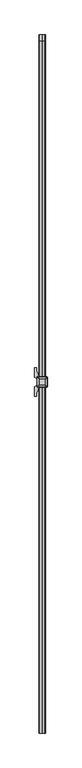
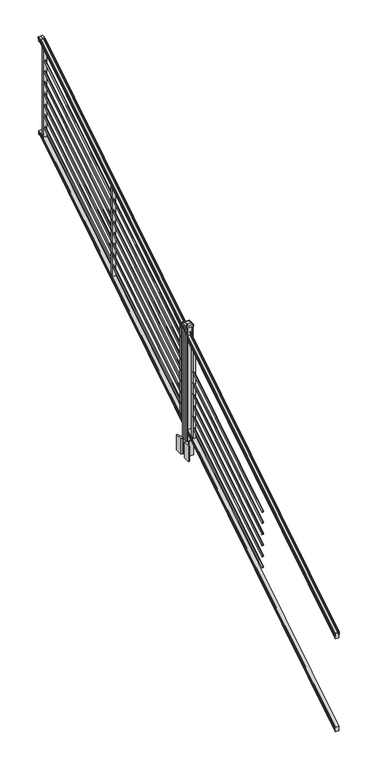
"""IFC4 building model written with IfcOpenShell, lengths in millimetres: railing geometry."""

from ifc_helpers import new_model, si_unit, point, frame, frame_2d, origin, origin_2d, place, context, project, spatial, polyline, circle_curve, ellipse_curve, trimmed, segment, composite_curve, outline, extrude, faceted_brep, source, transform, mapped, element, save
from ifc_brep_helpers import plane_surface, cylinder_surface, revolved_surface, extruded_surface, advanced_brep


def railing_c6cc891d(model_context):
    return source(origin(), model_context, "Body", "SolidModel", [
        advanced_brep(
        [(11092.2704765, -142728.8628453, 1270.3670492), (11092.2704765, -142728.8628453, 1272.5935658), (11093.4006628, -142728.8628453, 1274.4358543), (11093.4006628, -142728.8628453, 1282.9476358), (11092.7514064, -142728.8628453, 1285.8172588), (11095.2514064, -142728.8628453, 1290.9235509), (11096.6607489, -142728.8628453, 1292.9042021), (11097.0626479, -142728.8628453, 1294.2069579), (11097.0626478, -142728.8628453, 1295.7874846), (11095.5092005, -142728.8628453, 1297.6193836), (11074.8376478, -142728.8628453, 1297.6193836), (11054.166095, -142728.8628453, 1297.6193836), (11052.6126478, -142728.8628453, 1295.7874846), (11052.6126478, -142728.8628453, 1294.2069579), (11053.0145467, -142728.8628453, 1292.9042021), (11054.4238891, -142728.8628453, 1290.9235509), (11056.9238891, -142728.8628453, 1285.8172588), (11056.2746327, -142728.8628453, 1282.9476358), (11056.2746327, -142728.8628453, 1274.4358543), (11057.404819, -142728.8628453, 1272.5935658), (11057.404819, -142728.8628453, 1270.3670492), (11059.9786478, -142728.8628453, 1270.3670492), (11059.9786478, -142728.8628453, 1257.985537), (11058.9626478, -142728.8628453, 1256.7874214), (11058.9626478, -142728.8628453, 1242.06), (11090.7126478, -142728.8628453, 1242.06), (11090.7126478, -142728.8628453, 1256.601318), (11089.6966478, -142728.8628453, 1257.7994336), (11089.6966478, -142728.8628453, 1270.3670492), (11092.2704765, -137852.0628453, 4295.0143297), (11089.6966478, -137852.0628453, 4295.0143297), (11089.6966478, -137852.0628453, 4284.357013), (11090.7126478, -137852.0628453, 4283.341013), (11090.7126478, -137852.0628453, 4271.01), (11058.9626478, -137852.0628453, 4271.01), (11058.9626478, -137852.0628453, 4283.4988283), (11059.9786478, -137852.0628453, 4284.5148283), (11059.9786478, -137852.0628453, 4295.0143297), (11057.404819, -137852.0628453, 4295.0143297), (11057.404819, -137852.0628453, 4296.902412), (11056.2746327, -137852.0628453, 4298.4646695), (11056.2746327, -137852.0628453, 4305.6826458), (11056.9238891, -137852.0628453, 4308.1160812), (11054.4238891, -137852.0628453, 4312.4462082), (11053.0145467, -137852.0628453, 4314.1257972), (11052.6126477, -137852.0628453, 4315.2305318), (11052.6126478, -137852.0628453, 4316.5708158), (11054.166095, -137852.0628453, 4318.124263), (11074.8376478, -137852.0628453, 4318.124263), (11095.5092005, -137852.0628453, 4318.124263), (11097.0626478, -137852.0628453, 4316.5708158), (11097.0626478, -137852.0628453, 4315.2305318), (11096.6607489, -137852.0628453, 4314.1257972), (11095.2514064, -137852.0628453, 4312.4462082), (11092.7514064, -137852.0628453, 4308.1160812), (11093.4006628, -137852.0628453, 4305.6826458), (11093.4006628, -137852.0628453, 4298.4646695), (11092.2704765, -137852.0628453, 4296.902412), (11089.6966478, -137889.4271965, 4295.0143297), (11092.2704765, -137889.4271965, 4295.0143297), (11089.6966478, -137886.3707182, 4284.357013), (11090.7126478, -137886.0793333, 4283.341013), (11090.7126478, -137882.5428453, 4271.01), (11058.9626478, -137882.5428453, 4271.01), (11058.9626478, -137886.1245941, 4283.4988283), (11059.9786478, -137886.4159791, 4284.5148283), (11059.9786478, -137889.4271965, 4295.0143297), (11057.404819, -137889.4271965, 4295.0143297), (11057.404819, -137889.9686913, 4296.902412), (11056.2746327, -137890.4167409, 4298.4646695), (11056.2746327, -137892.4868293, 4305.6826458), (11056.9238891, -137893.1847294, 4308.1160812), (11054.4238891, -137894.4265935, 4312.4462082), (11053.0145467, -137894.9082932, 4314.1257972), (11052.6126477, -137895.2251269, 4315.2305318), (11052.6126478, -137895.6095153, 4316.5708158), (11054.166095, -137896.0550381, 4318.124263), (11074.8376478, -137896.0550381, 4318.124263), (11095.5092005, -137896.0550381, 4318.124263), (11097.0626478, -137895.6095153, 4316.5708158), (11097.0626478, -137895.2251269, 4315.2305318), (11096.6607489, -137894.9082932, 4314.1257972), (11095.2514064, -137894.4265935, 4312.4462082), (11092.7514064, -137893.1847294, 4308.1160812), (11093.4006628, -137892.4868293, 4305.6826458), (11093.4006628, -137890.4167409, 4298.4646695), (11092.2704765, -137889.9686913, 4296.902412)],
        [
            (0, 1),
            (1, 2, ellipse_curve(frame((11085.9557232, -142728.8628453, 1279.3839405), z_axis=(0.0, -1.0, 0.0), x_axis=(0.0, 0.0, -1.0)), 10.0777926, 8.545951)),
            (2, 3, ellipse_curve(frame((11086.3927862, -142728.8628453, 1278.6917451), z_axis=(0.0, -1.0, 0.0), x_axis=(0.0, 0.0, -1.0)), 9.2955186, 7.882584)),
            (3, 4, ellipse_curve(frame((11096.9061103, -142728.8628453, 1285.5875077), z_axis=(0.0, 1.0, 0.0), x_axis=(0.0, 0.0, 1.0)), 4.9048088, 4.1592695)),
            (4, 5, ellipse_curve(frame((11098.1934169, -142728.8628453, 1285.5163208), z_axis=(0.0, 1.0, 0.0), x_axis=(0.0, 0.0, 1.0)), 6.4245301, 5.4479907)),
            (5, 6, ellipse_curve(frame((11096.9602584, -142728.8628453, 1290.9202333), z_axis=(0.0, 1.0, 0.0), x_axis=(0.0, 0.0, 1.0)), 2.0151625, 1.7088543)),
            (6, 7, ellipse_curve(frame((11095.3433583, -142728.8628453, 1294.2069579), z_axis=(0.0, -1.0, 0.0), x_axis=(0.0, 0.0, -1.0)), 2.0274681, 1.7192895)),
            (7, 8),
            (8, 9, ellipse_curve(frame((11095.5092005, -142728.8628453, 1295.7874846), z_axis=(0.0, -1.0, 0.0), x_axis=(0.0, 0.0, -1.0)), 1.831899, 1.5534472)),
            (9, 10),
            (10, 11),
            (11, 12, ellipse_curve(frame((11054.166095, -142728.8628453, 1295.7874846), z_axis=(0.0, -1.0, 0.0), x_axis=(0.0, 0.0, -1.0)), 1.831899, 1.5534472)),
            (12, 13),
            (13, 14, ellipse_curve(frame((11054.3319372, -142728.8628453, 1294.2069579), z_axis=(0.0, -1.0, 0.0), x_axis=(0.0, 0.0, -1.0)), 2.0274681, 1.7192895)),
            (14, 15, ellipse_curve(frame((11052.7150371, -142728.8628453, 1290.9202333), z_axis=(0.0, 1.0, 0.0), x_axis=(0.0, 0.0, 1.0)), 2.0151625, 1.7088543)),
            (15, 16, ellipse_curve(frame((11051.4818787, -142728.8628453, 1285.5163208), z_axis=(0.0, 1.0, 0.0), x_axis=(0.0, 0.0, 1.0)), 6.4245301, 5.4479907)),
            (16, 17, ellipse_curve(frame((11052.7691852, -142728.8628453, 1285.5875077), z_axis=(0.0, 1.0, 0.0), x_axis=(0.0, 0.0, 1.0)), 4.9048088, 4.1592695)),
            (17, 18, ellipse_curve(frame((11063.2825093, -142728.8628453, 1278.6917451), z_axis=(0.0, -1.0, 0.0), x_axis=(0.0, 0.0, -1.0)), 9.2955186, 7.882584)),
            (18, 19, ellipse_curve(frame((11063.7195723, -142728.8628453, 1279.3839405), z_axis=(0.0, -1.0, 0.0), x_axis=(0.0, 0.0, -1.0)), 10.0777926, 8.545951)),
            (19, 20),
            (20, 21, ellipse_curve(frame((11058.6917334, -142728.8628453, 1270.3670492), z_axis=(0.0, -1.0, 0.0), x_axis=(0.0, 0.0, -1.0)), 1.5175907, 1.2869144)),
            (21, 22),
            (22, 23),
            (23, 24),
            (24, 25),
            (25, 26),
            (26, 27),
            (27, 28),
            (28, 0, ellipse_curve(frame((11090.9835621, -142728.8628453, 1270.3670492), z_axis=(0.0, -1.0, 0.0), x_axis=(0.0, 0.0, -1.0)), 1.5175907, 1.2869144)),
            (29, 30, circle_curve(frame((11090.9835621, -137852.0628453, 4295.0143297), z_axis=(0.0, 1.0, 0.0), x_axis=(-1.0, 0.0, 0.0)), 1.2869144)),
            (30, 31),
            (31, 32),
            (32, 33),
            (33, 34),
            (34, 35),
            (35, 36),
            (36, 37),
            (37, 38, circle_curve(frame((11058.6917334, -137852.0628453, 4295.0143297), z_axis=(0.0, 1.0, 0.0), x_axis=(1.0, 0.0, 0.0)), 1.2869144)),
            (38, 39),
            (39, 40, circle_curve(frame((11063.7195723, -137852.0628453, 4302.6606383), z_axis=(0.0, 1.0, 0.0), x_axis=(1.0, 0.0, 0.0)), 8.545951)),
            (40, 41, circle_curve(frame((11063.2825093, -137852.0628453, 4302.0736577), z_axis=(0.0, 1.0, 0.0), x_axis=(1.0, 0.0, 0.0)), 7.882584)),
            (41, 42, circle_curve(frame((11052.7691852, -137852.0628453, 4307.9212527), z_axis=(0.0, -1.0, 0.0), x_axis=(1.0, 0.0, 0.0)), 4.1592695)),
            (42, 43, circle_curve(frame((11051.4818787, -137852.0628453, 4307.8608864), z_axis=(0.0, -1.0, 0.0), x_axis=(1.0, 0.0, 0.0)), 5.4479907)),
            (43, 44, circle_curve(frame((11052.7150371, -137852.0628453, 4312.443395), z_axis=(0.0, -1.0, 0.0), x_axis=(1.0, 0.0, 0.0)), 1.7088543)),
            (44, 45, circle_curve(frame((11054.3319372, -137852.0628453, 4315.2305318), z_axis=(0.0, 1.0, 0.0), x_axis=(1.0, 0.0, 0.0)), 1.7192895)),
            (45, 46),
            (46, 47, circle_curve(frame((11054.166095, -137852.0628453, 4316.5708158), z_axis=(0.0, 1.0, 0.0), x_axis=(1.0, 0.0, 0.0)), 1.5534472)),
            (47, 48),
            (48, 49),
            (49, 50, circle_curve(frame((11095.5092005, -137852.0628453, 4316.5708158), z_axis=(0.0, 1.0, 0.0), x_axis=(-1.0, 0.0, 0.0)), 1.5534472)),
            (50, 51),
            (51, 52, circle_curve(frame((11095.3433583, -137852.0628453, 4315.2305318), z_axis=(0.0, 1.0, 0.0), x_axis=(-1.0, 0.0, 0.0)), 1.7192895)),
            (52, 53, circle_curve(frame((11096.9602584, -137852.0628453, 4312.443395), z_axis=(0.0, -1.0, 0.0), x_axis=(-1.0, 0.0, 0.0)), 1.7088543)),
            (53, 54, circle_curve(frame((11098.1934169, -137852.0628453, 4307.8608864), z_axis=(0.0, -1.0, 0.0), x_axis=(-1.0, 0.0, 0.0)), 5.4479907)),
            (54, 55, circle_curve(frame((11096.9061103, -137852.0628453, 4307.9212527), z_axis=(0.0, -1.0, 0.0), x_axis=(-1.0, 0.0, 0.0)), 4.1592695)),
            (55, 56, circle_curve(frame((11086.3927862, -137852.0628453, 4302.0736577), z_axis=(0.0, 1.0, 0.0), x_axis=(-1.0, 0.0, 0.0)), 7.882584)),
            (56, 57, circle_curve(frame((11085.9557232, -137852.0628453, 4302.6606383), z_axis=(0.0, 1.0, 0.0), x_axis=(-1.0, 0.0, 0.0)), 8.545951)),
            (57, 29),
            (28, 58),
            (58, 59, ellipse_curve(frame((11090.9835621, -137889.4271965, 4295.0143297), z_axis=(0.0, -0.9612487461643644, -0.2756825130425166), x_axis=(0.0, 0.27568251304251695, -0.9612487461643643)), 1.3387943, 1.2869144)),
            (59, 0),
            (27, 60),
            (60, 58),
            (26, 61),
            (61, 60),
            (25, 62),
            (62, 61),
            (24, 63),
            (63, 62),
            (23, 64),
            (64, 63),
            (22, 65),
            (65, 64),
            (21, 66),
            (66, 65),
            (20, 67),
            (67, 66, ellipse_curve(frame((11058.6917334, -137889.4271965, 4295.0143297), z_axis=(0.0, -0.9612487461643644, -0.2756825130425166), x_axis=(0.0, 0.27568251304251695, -0.9612487461643643)), 1.3387943, 1.2869144)),
            (19, 68),
            (68, 67),
            (18, 69),
            (69, 68, ellipse_curve(frame((11063.7195723, -137891.6201289, 4302.6606383), z_axis=(0.0, -0.9612487461643644, -0.2756825130425166), x_axis=(0.0, 0.27568251304251695, -0.9612487461643643)), 8.8904678, 8.545951)),
            (17, 70),
            (70, 69, ellipse_curve(frame((11063.2825093, -137891.4517851, 4302.0736577), z_axis=(0.0, -0.9612487461643644, -0.2756825130425166), x_axis=(0.0, 0.27568251304251695, -0.9612487461643643)), 8.2003581, 7.882584)),
            (16, 71),
            (71, 70, ellipse_curve(frame((11052.7691852, -137893.1288533, 4307.9212527), z_axis=(0.0, 0.9612487461643644, 0.2756825130425166), x_axis=(0.0, -0.27568251304251695, 0.9612487461643643)), 4.326944, 4.1592695)),
            (15, 72),
            (72, 71, ellipse_curve(frame((11051.4818787, -137893.1115404, 4307.8608864), z_axis=(0.0, 0.9612487461643644, 0.2756825130425166), x_axis=(0.0, -0.27568251304251695, 0.9612487461643643)), 5.667618, 5.4479907)),
            (14, 73),
            (73, 72, ellipse_curve(frame((11052.7150371, -137894.4257866, 4312.443395), z_axis=(0.0, 0.9612487461643644, 0.2756825130425166), x_axis=(0.0, -0.27568251304251695, 0.9612487461643643)), 1.7777442, 1.7088543)),
            (13, 74),
            (74, 73, ellipse_curve(frame((11054.3319372, -137895.2251269, 4315.2305318), z_axis=(0.0, -0.9612487461643644, -0.2756825130425166), x_axis=(0.0, 0.27568251304251695, -0.9612487461643643)), 1.7886, 1.7192895)),
            (12, 75),
            (75, 74),
            (11, 76),
            (76, 75, ellipse_curve(frame((11054.166095, -137895.6095153, 4316.5708158), z_axis=(0.0, -0.9612487461643644, -0.2756825130425166), x_axis=(0.0, 0.27568251304251695, -0.9612487461643643)), 1.6160721, 1.5534472)),
            (10, 77),
            (77, 76),
            (9, 78),
            (78, 77),
            (8, 79),
            (79, 78, ellipse_curve(frame((11095.5092005, -137895.6095153, 4316.5708158), z_axis=(0.0, -0.9612487461643644, -0.2756825130425166), x_axis=(0.0, 0.27568251304251695, -0.9612487461643643)), 1.6160721, 1.5534472)),
            (7, 80),
            (80, 79),
            (6, 81),
            (81, 80, ellipse_curve(frame((11095.3433583, -137895.2251269, 4315.2305318), z_axis=(0.0, -0.9612487461643644, -0.2756825130425166), x_axis=(0.0, 0.27568251304251695, -0.9612487461643643)), 1.7886, 1.7192895)),
            (5, 82),
            (82, 81, ellipse_curve(frame((11096.9602584, -137894.4257866, 4312.443395), z_axis=(0.0, 0.9612487461643644, 0.2756825130425166), x_axis=(0.0, -0.27568251304251695, 0.9612487461643643)), 1.7777442, 1.7088543)),
            (4, 83),
            (83, 82, ellipse_curve(frame((11098.1934169, -137893.1115404, 4307.8608864), z_axis=(0.0, 0.9612487461643644, 0.2756825130425166), x_axis=(0.0, -0.27568251304251695, 0.9612487461643643)), 5.667618, 5.4479907)),
            (3, 84),
            (84, 83, ellipse_curve(frame((11096.9061103, -137893.1288533, 4307.9212527), z_axis=(0.0, 0.9612487461643644, 0.2756825130425166), x_axis=(0.0, -0.27568251304251695, 0.9612487461643643)), 4.326944, 4.1592695)),
            (2, 85),
            (85, 84, ellipse_curve(frame((11086.3927862, -137891.4517851, 4302.0736577), z_axis=(0.0, -0.9612487461643644, -0.2756825130425166), x_axis=(0.0, 0.27568251304251695, -0.9612487461643643)), 8.2003581, 7.882584)),
            (1, 86),
            (86, 85, ellipse_curve(frame((11085.9557232, -137891.6201289, 4302.6606383), z_axis=(0.0, -0.9612487461643644, -0.2756825130425166), x_axis=(0.0, 0.27568251304251695, -0.9612487461643643)), 8.8904678, 8.545951)),
            (59, 86),
            (58, 30),
            (29, 59),
            (60, 31),
            (61, 32),
            (62, 33),
            (63, 34),
            (64, 35),
            (65, 36),
            (66, 37),
            (67, 38),
            (68, 39),
            (69, 40),
            (70, 41),
            (71, 42),
            (72, 43),
            (73, 44),
            (74, 45),
            (75, 46),
            (76, 47),
            (77, 48),
            (78, 49),
            (79, 50),
            (80, 51),
            (81, 52),
            (82, 53),
            (83, 54),
            (84, 55),
            (85, 56),
            (86, 57),
        ],
        [
            plane_surface(frame((11074.8376478, -142728.8628453, 1242.06), z_axis=(0.0, -1.0, 0.0), x_axis=(0.0, 0.0, 1.0))),
            plane_surface(frame((11074.8376478, -137852.0628453, 4271.01), z_axis=(0.0, 1.0, 0.0), x_axis=(0.0, 0.0, 1.0))),
            cylinder_surface(frame((11090.9835621, -142741.5851146, 1262.4156309), z_axis=(0.0, -0.8479983040051253, -0.5299989400031203), x_axis=(-1.0, 0.0, 0.0)), 1.2869144),
            plane_surface(frame((11089.6966478, -142728.8628453, 1257.7994336), z_axis=(1.0, 0.0, 0.0), x_axis=(0.0, 0.8479983040051258, 0.5299989400031196))),
            plane_surface(frame((11090.7126478, -142728.8628453, 1256.601318), z_axis=(0.7071067811865388, -0.3747658444978935, 0.5996253511967228), x_axis=(0.0, 0.8479983040051258, 0.5299989400031195))),
            plane_surface(frame((11090.7126478, -142728.8628453, 1242.06), z_axis=(1.0, 0.0, 0.0), x_axis=(0.0, 0.8479983040051252, 0.5299989400031205))),
            plane_surface(frame((11058.9626478, -142728.8628453, 1242.06), z_axis=(0.0, 0.5299989400031205, -0.8479983040051252), x_axis=(0.0, 0.8479983040051252, 0.5299989400031205))),
            plane_surface(frame((11058.9626478, -142728.8628453, 1256.7874214), z_axis=(-1.0, 0.0, 0.0), x_axis=(0.0, 0.8479983040051259, 0.5299989400031193))),
            plane_surface(frame((11059.9786478, -142728.8628453, 1257.985537), z_axis=(-0.7071067811865439, -0.37476584449788913, 0.5996253511967198), x_axis=(0.0, 0.8479983040051259, 0.5299989400031195))),
            plane_surface(frame((11059.9786478, -142728.8628453, 1270.3670492), z_axis=(-1.0000000000000002, 0.0, 0.0), x_axis=(0.0, 0.8479983040051253, 0.5299989400031204))),
            cylinder_surface(frame((11058.6917334, -142741.5851146, 1262.4156309), z_axis=(0.0, -0.8479983040051253, -0.5299989400031203), x_axis=(1.0, 0.0, 0.0)), 1.2869144),
            plane_surface(frame((11057.404819, -142728.8628453, 1272.5935658), z_axis=(-1.0000000000000002, 0.0, 0.0), x_axis=(0.0, 0.8479983040051249, 0.5299989400031212))),
            cylinder_surface(frame((11063.7195723, -142745.63765, 1268.8996876), z_axis=(0.0, -0.8479983040051253, -0.5299989400031203), x_axis=(1.0, 0.0, 0.0)), 8.545951),
            cylinder_surface(frame((11063.2825093, -142745.3265509, 1268.401929), z_axis=(0.0, -0.8479983040051253, -0.5299989400031203), x_axis=(1.0, 0.0, 0.0)), 7.882584),
            revolved_surface(polyline([(11056.9284547, -137892.1173076721, 4308.553468716955), (11056.9284547, -142731.06725374944, 1284.209752419102)]), (11052.7691852, -142748.4257701, 1273.3606797), (0.0, 0.8479983040051253, 0.5299989400031203)),
            revolved_surface(polyline([(11056.9298694, -137891.78657425637, 4308.688990189307), (11056.9298694, -142731.75027455282, 1283.7116775044994)]), (11051.4818787, -142748.393776, 1273.3094891), (0.0, 0.8479983040051253, 0.5299989400031203)),
            revolved_surface(polyline([(11054.423891400002, -137894.01018858227, 4312.7031437730975), (11054.423891400002, -142729.76853632246, 1290.354176435948)]), (11052.7150371, -142750.8225007, 1277.1954487), (0.0, 0.8479983040051253, 0.5299989400031203)),
            cylinder_surface(frame((11054.3319372, -142752.2996803, 1279.558936), z_axis=(0.0, -0.8479983040051253, -0.5299989400031203), x_axis=(1.0, 0.0, 0.0)), 1.7192895),
            plane_surface(frame((11052.6126478, -142728.8628453, 1295.7874846), z_axis=(-1.0, 0.0, 0.0), x_axis=(0.0, 0.8479983040051258, 0.5299989400031196))),
            cylinder_surface(frame((11054.166095, -142753.0100294, 1280.6954945), z_axis=(0.0, -0.8479983040051253, -0.5299989400031203), x_axis=(1.0, 0.0, 0.0)), 1.5534472),
            plane_surface(frame((11074.8376478, -142728.8628453, 1297.6193836), z_axis=(0.0, -0.5299989400031199, 0.8479983040051255), x_axis=(0.0, 0.8479983040051255, 0.5299989400031199))),
            plane_surface(frame((11095.5092005, -142728.8628453, 1297.6193836), z_axis=(0.0, -0.5299989400031199, 0.8479983040051255), x_axis=(0.0, 0.8479983040051255, 0.5299989400031199))),
            cylinder_surface(frame((11095.5092005, -142753.0100294, 1280.6954945), z_axis=(0.0, -0.8479983040051253, -0.5299989400031203), x_axis=(-1.0, 0.0, 0.0)), 1.5534472),
            plane_surface(frame((11097.0626478, -142728.8628453, 1294.2069579), z_axis=(1.0000000000000002, 0.0, 0.0), x_axis=(0.0, 0.8479983040051255, 0.5299989400031201))),
            cylinder_surface(frame((11095.3433583, -142752.2996803, 1279.558936), z_axis=(0.0, -0.8479983040051253, -0.5299989400031203), x_axis=(-1.0, 0.0, 0.0)), 1.7192895),
            revolved_surface(polyline([(11095.2514041, -137894.01018858227, 4312.7031437730975), (11095.2514041, -142729.76853632246, 1290.354176435948)]), (11096.9602584, -142750.8225007, 1277.1954487), (0.0, 0.8479983040051253, 0.5299989400031203)),
            revolved_surface(polyline([(11092.7454262, -137891.78657425637, 4308.688990189307), (11092.7454262, -142731.75027455282, 1283.7116775044994)]), (11098.1934169, -142748.393776, 1273.3094891), (0.0, 0.8479983040051253, 0.5299989400031203)),
            revolved_surface(polyline([(11092.7468408, -137892.1173076721, 4308.553468716955), (11092.7468408, -142731.06725374944, 1284.209752419102)]), (11096.9061103, -142748.4257701, 1273.3606797), (0.0, 0.8479983040051253, 0.5299989400031203)),
            cylinder_surface(frame((11086.3927862, -142745.3265509, 1268.401929), z_axis=(0.0, -0.8479983040051253, -0.5299989400031203), x_axis=(-1.0, 0.0, 0.0)), 7.882584),
            cylinder_surface(frame((11085.9557232, -142745.63765, 1268.8996876), z_axis=(0.0, -0.8479983040051253, -0.5299989400031203), x_axis=(-1.0, 0.0, 0.0)), 8.545951),
            plane_surface(frame((11092.2704765, -142728.8628453, 1270.3670492), z_axis=(1.0000000000000002, 0.0, 0.0), x_axis=(0.0, 0.8479983040051253, 0.5299989400031204))),
            cylinder_surface(frame((11090.9835621, -137882.5428453, 4295.0143297), z_axis=(0.0, -1.0, 0.0), x_axis=(-1.0, 0.0, 0.0)), 1.2869144),
            plane_surface(frame((11089.6966478, -137886.3707182, 4284.357013), z_axis=(1.0, 0.0, 0.0), x_axis=(0.0, 1.0, 0.0))),
            plane_surface(frame((11090.7126478, -137886.0793333, 4283.341013), z_axis=(0.707106781186539, 0.0, 0.7071067811865561), x_axis=(0.0, 1.0, 0.0))),
            plane_surface(frame((11090.7126478, -137882.5428453, 4271.01), z_axis=(1.0, 0.0, 0.0), x_axis=(0.0, 1.0, 0.0))),
            plane_surface(frame((11058.9626478, -137882.5428453, 4271.01), z_axis=(0.0, 0.0, -1.0), x_axis=(0.0, 1.0, 0.0))),
            plane_surface(frame((11058.9626478, -137886.1245941, 4283.4988283), z_axis=(-1.0, 0.0, 0.0), x_axis=(0.0, 1.0, 0.0))),
            plane_surface(frame((11059.9786478, -137886.4159791, 4284.5148283), z_axis=(-0.7071067811865435, 0.0, 0.7071067811865518), x_axis=(0.0, 1.0, 0.0))),
            plane_surface(frame((11059.9786478, -137889.4271965, 4295.0143297), z_axis=(-1.0, 0.0, 0.0), x_axis=(0.0, 1.0, 0.0))),
            cylinder_surface(frame((11058.6917334, -137882.5428453, 4295.0143297), z_axis=(0.0, -1.0, 0.0), x_axis=(1.0, 0.0, 0.0)), 1.2869144),
            plane_surface(frame((11057.404819, -137889.9686913, 4296.902412), z_axis=(-1.0, 0.0, 0.0), x_axis=(0.0, 1.0, 0.0))),
            cylinder_surface(frame((11063.7195723, -137882.5428453, 4302.6606383), z_axis=(0.0, -1.0, 0.0), x_axis=(1.0, 0.0, 0.0)), 8.545951),
            cylinder_surface(frame((11063.2825093, -137882.5428453, 4302.0736577), z_axis=(0.0, -1.0, 0.0), x_axis=(1.0, 0.0, 0.0)), 7.882584),
            revolved_surface(polyline([(11056.9284547, -137852.0628453, 4307.9212527), (11056.9284547, -137894.32171609573, 4307.9212527)]), (11052.7691852, -137882.5428453, 4307.9212527), (0.0, 1.0, 0.0)),
            revolved_surface(polyline([(11056.9298694, -137852.0628453, 4307.8608864), (11056.9298694, -137894.6740035732, 4307.8608864)]), (11051.4818787, -137882.5428453, 4307.8608864), (0.0, 1.0, 0.0)),
            revolved_surface(polyline([(11054.423891400002, -137852.0628453, 4312.443395), (11054.423891400002, -137894.9158795886, 4312.443395)]), (11052.7150371, -137882.5428453, 4312.443395), (0.0, 1.0, 0.0)),
            cylinder_surface(frame((11054.3319372, -137882.5428453, 4315.2305318), z_axis=(0.0, -1.0, 0.0), x_axis=(1.0, 0.0, 0.0)), 1.7192895),
            plane_surface(frame((11052.6126478, -137895.6095153, 4316.5708158), z_axis=(-1.0, 0.0, 0.0), x_axis=(0.0, 1.0, 0.0))),
            cylinder_surface(frame((11054.166095, -137882.5428453, 4316.5708158), z_axis=(0.0, -1.0, 0.0), x_axis=(1.0, 0.0, 0.0)), 1.5534472),
            plane_surface(frame((11074.8376478, -137896.0550381, 4318.124263), z_axis=(0.0, 0.0, 1.0), x_axis=(0.0, 1.0, 0.0))),
            plane_surface(frame((11095.5092005, -137896.0550381, 4318.124263), z_axis=(0.0, 0.0, 1.0), x_axis=(0.0, 1.0, 0.0))),
            cylinder_surface(frame((11095.5092005, -137882.5428453, 4316.5708158), z_axis=(0.0, -1.0, 0.0), x_axis=(-1.0, 0.0, 0.0)), 1.5534472),
            plane_surface(frame((11097.0626478, -137895.2251269, 4315.2305318), z_axis=(1.0, 0.0, 0.0), x_axis=(0.0, 1.0, 0.0))),
            cylinder_surface(frame((11095.3433583, -137882.5428453, 4315.2305318), z_axis=(0.0, -1.0, 0.0), x_axis=(-1.0, 0.0, 0.0)), 1.7192895),
            revolved_surface(polyline([(11095.2514041, -137852.0628453, 4312.443395), (11095.2514041, -137894.9158795886, 4312.443395)]), (11096.9602584, -137882.5428453, 4312.443395), (0.0, 1.0, 0.0)),
            revolved_surface(polyline([(11092.7454262, -137852.0628453, 4307.8608864), (11092.7454262, -137894.6740035732, 4307.8608864)]), (11098.1934169, -137882.5428453, 4307.8608864), (0.0, 1.0, 0.0)),
            revolved_surface(polyline([(11092.7468408, -137852.0628453, 4307.9212527), (11092.7468408, -137894.32171609573, 4307.9212527)]), (11096.9061103, -137882.5428453, 4307.9212527), (0.0, 1.0, 0.0)),
            cylinder_surface(frame((11086.3927862, -137882.5428453, 4302.0736577), z_axis=(0.0, -1.0, 0.0), x_axis=(-1.0, 0.0, 0.0)), 7.882584),
            cylinder_surface(frame((11085.9557232, -137882.5428453, 4302.6606383), z_axis=(0.0, -1.0, 0.0), x_axis=(-1.0, 0.0, 0.0)), 8.545951),
            plane_surface(frame((11092.2704765, -137889.4271965, 4295.0143297), z_axis=(1.0, 0.0, 0.0), x_axis=(0.0, 1.0, 0.0))),
        ],
        [
            (0, [[1, 2, 3, 4, 5, 6, 7, 8, 9, 10, 11, 12, 13, 14, 15, 16, 17, 18, 19, 20, 21, 22, 23, 24, 25, 26, 27, 28, 29]]),
            (1, [[30, 31, 32, 33, 34, 35, 36, 37, 38, 39, 40, 41, 42, 43, 44, 45, 46, 47, 48, 49, 50, 51, 52, 53, 54, 55, 56, 57, 58]]),
            (2, [[-29, 59, 60, 61]]),
            (3, [[-28, 62, 63, -59]]),
            (4, [[-27, 64, 65, -62]]),
            (5, [[-26, 66, 67, -64]]),
            (6, [[-25, 68, 69, -66]]),
            (7, [[-24, 70, 71, -68]]),
            (8, [[-23, 72, 73, -70]]),
            (9, [[-22, 74, 75, -72]]),
            (10, [[-21, 76, 77, -74]]),
            (11, [[-20, 78, 79, -76]]),
            (12, [[-19, 80, 81, -78]]),
            (13, [[-18, 82, 83, -80]]),
            (14, [[-17, 84, 85, -82]]),
            (15, [[-16, 86, 87, -84]]),
            (16, [[-15, 88, 89, -86]]),
            (17, [[-14, 90, 91, -88]]),
            (18, [[-13, 92, 93, -90]]),
            (19, [[-12, 94, 95, -92]]),
            (20, [[-11, 96, 97, -94]]),
            (21, [[-10, 98, 99, -96]]),
            (22, [[-9, 100, 101, -98]]),
            (23, [[-8, 102, 103, -100]]),
            (24, [[-7, 104, 105, -102]]),
            (25, [[-6, 106, 107, -104]]),
            (26, [[-5, 108, 109, -106]]),
            (27, [[-4, 110, 111, -108]]),
            (28, [[-3, 112, 113, -110]]),
            (29, [[-2, 114, 115, -112]]),
            (30, [[-1, -61, 116, -114]]),
            (31, [[-60, 117, -30, 118]]),
            (32, [[-63, 119, -31, -117]]),
            (33, [[-65, 120, -32, -119]]),
            (34, [[-67, 121, -33, -120]]),
            (35, [[-69, 122, -34, -121]]),
            (36, [[-71, 123, -35, -122]]),
            (37, [[-73, 124, -36, -123]]),
            (38, [[-75, 125, -37, -124]]),
            (39, [[-77, 126, -38, -125]]),
            (40, [[-79, 127, -39, -126]]),
            (41, [[-81, 128, -40, -127]]),
            (42, [[-83, 129, -41, -128]]),
            (43, [[-85, 130, -42, -129]]),
            (44, [[-87, 131, -43, -130]]),
            (45, [[-89, 132, -44, -131]]),
            (46, [[-91, 133, -45, -132]]),
            (47, [[-93, 134, -46, -133]]),
            (48, [[-95, 135, -47, -134]]),
            (49, [[-97, 136, -48, -135]]),
            (50, [[-99, 137, -49, -136]]),
            (51, [[-101, 138, -50, -137]]),
            (52, [[-103, 139, -51, -138]]),
            (53, [[-105, 140, -52, -139]]),
            (54, [[-107, 141, -53, -140]]),
            (55, [[-109, 142, -54, -141]]),
            (56, [[-111, 143, -55, -142]]),
            (57, [[-113, 144, -56, -143]]),
            (58, [[-115, 145, -57, -144]]),
            (59, [[-116, -118, -58, -145]]),
        ],
    ),
        faceted_brep([(11090.7501347, -142728.8628453, 325.4465079), (11089.7341347, -142728.8628453, 326.980026), (11089.7341347, -142728.8628453, 339.1965048), (11090.7501347, -142728.8628453, 340.7864579), (11090.7501347, -142728.8628453, 355.5664744), (11059.0001347, -142728.8628453, 355.5664744), (11059.0001347, -142728.8628453, 340.7668272), (11060.0161347, -142728.8628453, 339.1768741), (11060.0161347, -142728.8628453, 327.0168303), (11059.0001347, -142728.8628453, 325.4268772), (11059.0001347, -142728.8628453, 310.642), (11090.7501347, -142728.8628453, 310.642), (11090.7501347, -137852.0628453, 3352.1461976), (11090.7501347, -137852.0628453, 3339.592), (11059.0001347, -137852.0628453, 3339.592), (11059.0001347, -137852.0628453, 3352.1295508), (11060.0161347, -137852.0628453, 3353.4778283), (11060.0161347, -137852.0628453, 3363.7895248), (11059.0001347, -137852.0628453, 3365.1378024), (11059.0001347, -137852.0628453, 3377.6878781), (11090.7501347, -137852.0628453, 3377.6878781), (11090.7501347, -137852.0628453, 3365.1544492), (11089.7341347, -137852.0628453, 3363.8061717), (11089.7341347, -137852.0628453, 3353.4466183), (11090.7501347, -137882.5428453, 3339.592), (11090.7501347, -137886.1433418, 3352.1461976), (11059.0001347, -137882.5428453, 3339.592), (11059.0001347, -137886.1385675, 3352.1295508), (11060.0161347, -137886.5252485, 3353.4778283), (11060.0161347, -137889.4826041, 3363.7895248), (11059.0001347, -137889.869285, 3365.1378024), (11059.0001347, -137893.4685994, 3377.6878781), (11090.7501347, -137893.4685994, 3377.6878781), (11090.7501347, -137889.8740593, 3365.1544492), (11089.7341347, -137889.4873783, 3363.8061717), (11089.7341347, -137886.5162975, 3353.4466183)], [[[0, 1, 2, 3, 4, 5, 6, 7, 8, 9, 10, 11]], [[12, 13, 14, 15, 16, 17, 18, 19, 20, 21, 22, 23]], [[0, 11, 24, 25]], [[11, 10, 26, 24]], [[10, 9, 27, 26]], [[9, 8, 28, 27]], [[8, 7, 29, 28]], [[7, 6, 30, 29]], [[6, 5, 31, 30]], [[5, 4, 32, 31]], [[4, 3, 33, 32]], [[3, 2, 34, 33]], [[2, 1, 35, 34]], [[1, 0, 25, 35]], [[25, 24, 13, 12]], [[24, 26, 14, 13]], [[26, 27, 15, 14]], [[27, 28, 16, 15]], [[28, 29, 17, 16]], [[29, 30, 18, 17]], [[30, 31, 19, 18]], [[31, 32, 20, 19]], [[32, 33, 21, 20]], [[33, 34, 22, 21]], [[34, 35, 23, 22]], [[35, 25, 12, 23]]]),
        extrude(outline(polyline([(-137904.3868453, 3364.0353781), (-137929.7868453, 3348.1603781), (-137929.7868453, 4241.4825), (-137904.3868453, 4257.3575), (-137904.3868453, 3364.0353781)])), frame((11062.1376478, 0.0, 0.0), z_axis=(1.0, 0.0, 0.0), x_axis=(0.0, 1.0, 0.0)), (0.0, 0.0, 1.0), 25.4),
        extrude(outline(composite_curve([segment(trimmed(circle_curve(origin_2d(), 8.001), [point((0.0, 8.001))], [point((0.0, -8.001))], False, "CARTESIAN"), True, "CONTINUOUS"), segment(trimmed(circle_curve(origin_2d(), 8.001), [point((0.0, -8.001))], [point((0.0, 8.001))], False, "CARTESIAN"), True, "CONTINUOUS")], self_intersect=False)), frame((11074.5274858, -139055.0068453, 2745.9796159), z_axis=(0.0, 0.8479983040051253, 0.5299989400031202), x_axis=(1.0, 0.0, 0.0)), (0.0, 0.0, 1.0), 1347.8800542),
        extrude(outline(composite_curve([segment(trimmed(circle_curve(origin_2d(), 8.001), [point((0.0, 8.001))], [point((0.0, -8.001))], False, "CARTESIAN"), True, "CONTINUOUS"), segment(trimmed(circle_curve(origin_2d(), 8.001), [point((0.0, -8.001))], [point((0.0, 8.001))], False, "CARTESIAN"), True, "CONTINUOUS")], self_intersect=False)), frame((11074.5274858, -139055.0068453, 2857.1695274), z_axis=(0.0, 0.8479983040051253, 0.5299989400031202), x_axis=(1.0, 0.0, 0.0)), (0.0, 0.0, 1.0), 1347.8800542),
        extrude(outline(composite_curve([segment(trimmed(circle_curve(origin_2d(), 8.001), [point((0.0, 8.001))], [point((0.0, -8.001))], False, "CARTESIAN"), True, "CONTINUOUS"), segment(trimmed(circle_curve(origin_2d(), 8.001), [point((0.0, -8.001))], [point((0.0, 8.001))], False, "CARTESIAN"), True, "CONTINUOUS")], self_intersect=False)), frame((11074.5274858, -139055.0068453, 2968.359439), z_axis=(0.0, 0.8479983040051254, 0.5299989400031202), x_axis=(1.0, 0.0, 0.0)), (0.0, 0.0, 1.0), 1347.8800542),
        extrude(outline(composite_curve([segment(trimmed(circle_curve(origin_2d(), 8.001), [point((0.0, 8.001))], [point((0.0, -8.001))], False, "CARTESIAN"), True, "CONTINUOUS"), segment(trimmed(circle_curve(origin_2d(), 8.001), [point((0.0, -8.001))], [point((0.0, 8.001))], False, "CARTESIAN"), True, "CONTINUOUS")], self_intersect=False)), frame((11074.5274858, -139055.0068453, 3079.5493506), z_axis=(0.0, 0.8479983040051254, 0.5299989400031202), x_axis=(1.0, 0.0, 0.0)), (0.0, 0.0, 1.0), 1347.8800542),
        extrude(outline(composite_curve([segment(trimmed(circle_curve(origin_2d(), 8.001), [point((0.0, 8.001))], [point((0.0, -8.001))], False, "CARTESIAN"), True, "CONTINUOUS"), segment(trimmed(circle_curve(origin_2d(), 8.001), [point((0.0, -8.001))], [point((0.0, 8.001))], False, "CARTESIAN"), True, "CONTINUOUS")], self_intersect=False)), frame((11074.5274858, -139055.0068453, 3190.7392622), z_axis=(0.0, 0.8479983040051253, 0.5299989400031203), x_axis=(1.0, 0.0, 0.0)), (0.0, 0.0, 1.0), 1347.8800542),
        extrude(outline(composite_curve([segment(trimmed(circle_curve(origin_2d(), 8.001), [point((0.0, 8.001))], [point((0.0, -8.001))], False, "CARTESIAN"), True, "CONTINUOUS"), segment(trimmed(circle_curve(origin_2d(), 8.001), [point((0.0, -8.001))], [point((0.0, 8.001))], False, "CARTESIAN"), True, "CONTINUOUS")], self_intersect=False)), frame((11074.5274858, -139055.0068453, 3301.9291737), z_axis=(0.0, 0.8479983040051253, 0.5299989400031203), x_axis=(1.0, 0.0, 0.0)), (0.0, 0.0, 1.0), 1347.8800542),
        extrude(outline(composite_curve([segment(trimmed(circle_curve(origin_2d(), 8.001), [point((0.0, 8.001))], [point((0.0, -8.001))], False, "CARTESIAN"), True, "CONTINUOUS"), segment(trimmed(circle_curve(origin_2d(), 8.001), [point((0.0, -8.001))], [point((0.0, 8.001))], False, "CARTESIAN"), True, "CONTINUOUS")], self_intersect=False)), frame((11074.5274858, -139055.0068453, 3413.1190853), z_axis=(0.0, 0.8479983040051253, 0.5299989400031202), x_axis=(1.0, 0.0, 0.0)), (0.0, 0.0, 1.0), 1347.8800542),
        extrude(outline(composite_curve([segment(trimmed(circle_curve(origin_2d(), 8.001), [point((0.0, 8.001))], [point((0.0, -8.001))], False, "CARTESIAN"), True, "CONTINUOUS"), segment(trimmed(circle_curve(origin_2d(), 8.001), [point((0.0, -8.001))], [point((0.0, 8.001))], False, "CARTESIAN"), True, "CONTINUOUS")], self_intersect=False)), frame((11074.5274858, -139055.0068453, 3524.3089969), z_axis=(0.0, 0.8479983040051254, 0.5299989400031201), x_axis=(1.0, 0.0, 0.0)), (0.0, 0.0, 1.0), 1347.8800542),
        extrude(outline(polyline([(-139037.2268453, 2656.0103781), (-139062.6268453, 2640.1353781), (-139062.6268453, 3533.4575), (-139037.2268453, 3549.3325), (-139037.2268453, 2656.0103781)])), frame((11062.1376478, 0.0, 0.0), z_axis=(1.0, 0.0, 0.0), x_axis=(0.0, 1.0, 0.0)), (0.0, 0.0, 1.0), 25.4),
        extrude(outline(composite_curve([segment(trimmed(circle_curve(origin_2d(), 8.001), [point((0.0, 8.001))], [point((0.0, -8.001))], False, "CARTESIAN"), True, "CONTINUOUS"), segment(trimmed(circle_curve(origin_2d(), 8.001), [point((0.0, -8.001))], [point((0.0, 8.001))], False, "CARTESIAN"), True, "CONTINUOUS")], self_intersect=False)), frame((11074.5274858, -140187.8468453, 2037.9546159), z_axis=(0.0, 0.8479983040051253, 0.5299989400031202), x_axis=(1.0, 0.0, 0.0)), (0.0, 0.0, 1.0), 1347.8800542),
        extrude(outline(composite_curve([segment(trimmed(circle_curve(origin_2d(), 8.001), [point((0.0, 8.001))], [point((0.0, -8.001))], False, "CARTESIAN"), True, "CONTINUOUS"), segment(trimmed(circle_curve(origin_2d(), 8.001), [point((0.0, -8.001))], [point((0.0, 8.001))], False, "CARTESIAN"), True, "CONTINUOUS")], self_intersect=False)), frame((11074.5274858, -140187.8468453, 2149.1445274), z_axis=(0.0, 0.8479983040051253, 0.5299989400031202), x_axis=(1.0, 0.0, 0.0)), (0.0, 0.0, 1.0), 1347.8800542),
        extrude(outline(composite_curve([segment(trimmed(circle_curve(origin_2d(), 8.001), [point((0.0, 8.001))], [point((0.0, -8.001))], False, "CARTESIAN"), True, "CONTINUOUS"), segment(trimmed(circle_curve(origin_2d(), 8.001), [point((0.0, -8.001))], [point((0.0, 8.001))], False, "CARTESIAN"), True, "CONTINUOUS")], self_intersect=False)), frame((11074.5274858, -140187.8468453, 2260.334439), z_axis=(0.0, 0.8479983040051254, 0.5299989400031202), x_axis=(1.0, 0.0, 0.0)), (0.0, 0.0, 1.0), 1347.8800542),
        extrude(outline(composite_curve([segment(trimmed(circle_curve(origin_2d(), 8.001), [point((0.0, 8.001))], [point((0.0, -8.001))], False, "CARTESIAN"), True, "CONTINUOUS"), segment(trimmed(circle_curve(origin_2d(), 8.001), [point((0.0, -8.001))], [point((0.0, 8.001))], False, "CARTESIAN"), True, "CONTINUOUS")], self_intersect=False)), frame((11074.5274858, -140187.8468453, 2371.5243506), z_axis=(0.0, 0.8479983040051254, 0.5299989400031202), x_axis=(1.0, 0.0, 0.0)), (0.0, 0.0, 1.0), 1347.8800542),
        extrude(outline(composite_curve([segment(trimmed(circle_curve(origin_2d(), 8.001), [point((0.0, 8.001))], [point((0.0, -8.001))], False, "CARTESIAN"), True, "CONTINUOUS"), segment(trimmed(circle_curve(origin_2d(), 8.001), [point((0.0, -8.001))], [point((0.0, 8.001))], False, "CARTESIAN"), True, "CONTINUOUS")], self_intersect=False)), frame((11074.5274858, -140187.8468453, 2482.7142622), z_axis=(0.0, 0.8479983040051253, 0.5299989400031203), x_axis=(1.0, 0.0, 0.0)), (0.0, 0.0, 1.0), 1347.8800542),
        extrude(outline(composite_curve([segment(trimmed(circle_curve(origin_2d(), 8.001), [point((0.0, 8.001))], [point((0.0, -8.001))], False, "CARTESIAN"), True, "CONTINUOUS"), segment(trimmed(circle_curve(origin_2d(), 8.001), [point((0.0, -8.001))], [point((0.0, 8.001))], False, "CARTESIAN"), True, "CONTINUOUS")], self_intersect=False)), frame((11074.5274858, -140187.8468453, 2593.9041737), z_axis=(0.0, 0.8479983040051253, 0.5299989400031203), x_axis=(1.0, 0.0, 0.0)), (0.0, 0.0, 1.0), 1347.8800542),
        extrude(outline(composite_curve([segment(trimmed(circle_curve(origin_2d(), 8.001), [point((0.0, 8.001))], [point((0.0, -8.001))], False, "CARTESIAN"), True, "CONTINUOUS"), segment(trimmed(circle_curve(origin_2d(), 8.001), [point((0.0, -8.001))], [point((0.0, 8.001))], False, "CARTESIAN"), True, "CONTINUOUS")], self_intersect=False)), frame((11074.5274858, -140187.8468453, 2705.0940853), z_axis=(0.0, 0.8479983040051253, 0.5299989400031202), x_axis=(1.0, 0.0, 0.0)), (0.0, 0.0, 1.0), 1347.8800542),
        extrude(outline(composite_curve([segment(trimmed(circle_curve(origin_2d(), 8.001), [point((0.0, 8.001))], [point((0.0, -8.001))], False, "CARTESIAN"), True, "CONTINUOUS"), segment(trimmed(circle_curve(origin_2d(), 8.001), [point((0.0, -8.001))], [point((0.0, 8.001))], False, "CARTESIAN"), True, "CONTINUOUS")], self_intersect=False)), frame((11074.5274858, -140187.8468453, 2816.2839969), z_axis=(0.0, 0.8479983040051254, 0.5299989400031201), x_axis=(1.0, 0.0, 0.0)), (0.0, 0.0, 1.0), 1347.8800542),
        extrude(outline(polyline([(-140170.0668453, 1947.9853781), (-140195.4668453, 1932.1103781), (-140195.4668453, 2825.4325), (-140170.0668453, 2841.3075), (-140170.0668453, 1947.9853781)])), frame((11062.1376478, 0.0, 0.0), z_axis=(1.0, 0.0, 0.0), x_axis=(0.0, 1.0, 0.0)), (0.0, 0.0, 1.0), 25.4),
        extrude(outline(composite_curve([segment(polyline([(11107.8893978, -140293.3709401), (11109.4768978, -140294.1329401), (11109.4768978, -140307.6638682), (11106.2626707, -140310.8780953), (11054.5819999, -140310.8780953), (11054.5819999, -140311.7988453), (11058.9323311, -140311.7988453), (11058.9323311, -140313.2531), (11053.8478014, -140313.2531), (11053.8478014, -140314.5371238), (11061.6385135, -140314.5371238)]), True, "CONTINUOUS"), segment(trimmed(circle_curve(frame_2d((11061.6385135, -140331.2803337)), 16.7432099), [point((11061.6385135, -140314.5371238))], [point((11045.0163912, -140329.270327))], True, "CARTESIAN"), True, "CONTINUOUS"), segment(polyline([(11045.0163912, -140329.270327), (11037.3009469, -140346.3056654)]), True, "CONTINUOUS"), segment(trimmed(circle_curve(frame_2d((11082.4017103, -140362.5777151)), 47.9464123), [point((11037.3009469, -140346.3056654))], [point((11034.455298, -140362.5777151))], True, "CARTESIAN"), True, "CONTINUOUS"), segment(polyline([(11034.455298, -140362.5777151), (11034.455298, -140374.5864547), (11022.2517103, -140374.5864547), (11022.2517103, -140309.2905953), (11040.1983978, -140297.714179), (11040.1983978, -140294.1329401), (11041.7858978, -140293.3709401), (11041.7858978, -140259.1067504), (11040.1983978, -140258.3447504), (11040.1983978, -140254.7635116), (11022.2517103, -140243.1870953), (11022.2517103, -140177.8912359), (11034.455298, -140177.8912359), (11034.455298, -140189.8999755)]), True, "CONTINUOUS"), segment(trimmed(circle_curve(frame_2d((11082.4017103, -140189.8999755)), 47.9464123), [point((11034.455298, -140189.8999755))], [point((11037.3009469, -140206.1720251))], True, "CARTESIAN"), True, "CONTINUOUS"), segment(polyline([(11037.3009469, -140206.1720251), (11045.0163912, -140223.2073636)]), True, "CONTINUOUS"), segment(trimmed(circle_curve(frame_2d((11061.6385135, -140221.1973569)), 16.7432099), [point((11045.0163912, -140223.2073636))], [point((11061.6385135, -140237.9405668))], True, "CARTESIAN"), True, "CONTINUOUS"), segment(polyline([(11061.6385135, -140237.9405668), (11063.3057858, -140237.9405668), (11063.3057858, -140239.2245906), (11058.9323311, -140239.2245906), (11058.9323311, -140240.6788453), (11054.5819999, -140240.6788453), (11054.5819999, -140241.5995953), (11106.2626707, -140241.5995953), (11109.4768978, -140244.8138224), (11109.4768978, -140258.3447504), (11107.8893978, -140259.1067504), (11107.8893978, -140293.3709401)]), True, "CONTINUOUS")], self_intersect=False), holes=[polyline([(11043.0876478, -140246.0763453), (11043.0876478, -140306.4013453), (11044.6751478, -140307.9888453), (11072.0744304, -140307.9888453), (11105.0001478, -140307.9888453), (11106.5876478, -140306.4013453), (11106.5876478, -140246.0763453), (11105.0001478, -140244.4888453), (11072.0744304, -140244.4888453), (11044.6751478, -140244.4888453), (11043.0876478, -140246.0763453)])]), frame((0.0, 0.0, 1602.74), z_axis=(0.0, 0.0, 1.0), x_axis=(1.0, 0.0, 0.0)), (0.0, 0.0, 1.0), 152.4),
        advanced_brep(
        [(11058.9626478, -140295.2888453, 2920.489263), (11090.7126478, -140295.2888453, 2920.489263), (11093.8876478, -140292.1138453, 2920.489263), (11093.8876478, -140260.3638453, 2920.489263), (11090.7126478, -140257.1888453, 2920.489263), (11058.9626478, -140257.1888453, 2920.489263), (11055.7876478, -140260.3638453, 2920.489263), (11055.7876478, -140292.1138453, 2920.489263), (11042.4526478, -140311.7988453, 2909.186263), (11039.2776478, -140308.6238453, 2909.186263), (11039.2776478, -140243.8538453, 2909.186263), (11042.4526478, -140240.6788453, 2909.186263), (11107.2226478, -140240.6788453, 2909.186263), (11110.3976478, -140243.8538453, 2909.186263), (11110.3976478, -140308.6238453, 2909.186263), (11107.2226478, -140311.7988453, 2909.186263)],
        [
            (0, 1),
            (1, 2, circle_curve(frame((11090.7126478, -140292.1138453, 2920.489263), z_axis=(0.0, 0.0, 1.0), x_axis=(0.0, 1.0, 0.0)), 3.175)),
            (2, 3),
            (3, 4, circle_curve(frame((11090.7126478, -140260.3638453, 2920.489263), z_axis=(0.0, 0.0, 1.0), x_axis=(0.0, 1.0, 0.0)), 3.175)),
            (4, 5),
            (5, 6, circle_curve(frame((11058.9626478, -140260.3638453, 2920.489263), z_axis=(0.0, 0.0, 1.0), x_axis=(0.0, 1.0, 0.0)), 3.175)),
            (6, 7),
            (7, 0, circle_curve(frame((11058.9626478, -140292.1138453, 2920.489263), z_axis=(0.0, 0.0, 1.0), x_axis=(0.0, 1.0, 0.0)), 3.175)),
            (8, 9, circle_curve(frame((11042.4526478, -140308.6238453, 2909.186263), z_axis=(0.0, 0.0, -1.0), x_axis=(0.0, 1.0, 0.0)), 3.175)),
            (9, 10),
            (10, 11, circle_curve(frame((11042.4526478, -140243.8538453, 2909.186263), z_axis=(0.0, 0.0, -1.0), x_axis=(0.0, 1.0, 0.0)), 3.175)),
            (11, 12),
            (12, 13, circle_curve(frame((11107.2226478, -140243.8538453, 2909.186263), z_axis=(0.0, 0.0, -1.0), x_axis=(0.0, 1.0, 0.0)), 3.175)),
            (13, 14),
            (14, 15, circle_curve(frame((11107.2226478, -140308.6238453, 2909.186263), z_axis=(0.0, 0.0, -1.0), x_axis=(0.0, 1.0, 0.0)), 3.175)),
            (15, 8),
            (8, 0),
            (7, 9),
            (6, 10),
            (5, 11),
            (4, 12),
            (3, 13),
            (2, 14),
            (1, 15),
        ],
        [
            plane_surface(frame((11074.8376478, -140276.2388453, 2920.489263), z_axis=(0.0, 0.0, 1.0), x_axis=(-1.0, 0.0, 0.0))),
            plane_surface(frame((11074.8376478, -140276.2388453, 2909.186263), z_axis=(0.0, 0.0, -1.0), x_axis=(-1.0, 0.0, 0.0))),
            extruded_surface(trimmed(circle_curve(frame((11058.9626478, -140292.1138453, 2920.489263), z_axis=(0.0, 0.0, -1.0), x_axis=(0.0, 1.0, 0.0)), 3.175), [point((11058.9626478, -140295.2888453, 2920.489263))], [point((11055.7876478, -140292.1138453, 2920.489263))], True, "CARTESIAN"), (-16.5099999999984, -16.510000000009313, -11.302999999999884), 25.94066323362323),
            plane_surface(frame((11039.2776478, -140276.2388453, 2909.186263), z_axis=(-0.5649114395471265, 0.0, 0.8251515409116033), x_axis=(0.0, 1.0, 0.0))),
            extruded_surface(trimmed(circle_curve(frame((11058.9626478, -140260.3638453, 2920.489263), z_axis=(0.0, 0.0, -1.0), x_axis=(0.0, 1.0, 0.0)), 3.175), [point((11055.7876478, -140260.3638453, 2920.489263))], [point((11058.9626478, -140257.1888453, 2920.489263))], True, "CARTESIAN"), (-16.5099999999984, 16.50999999998021, -11.302999999999884), 25.940663233604706),
            plane_surface(frame((11074.8376478, -140240.6788453, 2909.186263), z_axis=(0.0, 0.564911439547091, 0.8251515409116277), x_axis=(1.0, 0.0, 0.0))),
            extruded_surface(trimmed(circle_curve(frame((11090.7126478, -140260.3638453, 2920.489263), z_axis=(0.0, 0.0, -1.0), x_axis=(0.0, 1.0, 0.0)), 3.175), [point((11090.7126478, -140257.1888453, 2920.489263))], [point((11093.8876478, -140260.3638453, 2920.489263))], True, "CARTESIAN"), (16.51000000000022, 16.50999999998021, -11.302999999999884), 25.940663233605864),
            plane_surface(frame((11110.3976478, -140276.2388453, 2909.186263), z_axis=(0.5649114395470568, 0.0, 0.825151540911651), x_axis=(0.0, -1.0, 0.0))),
            extruded_surface(trimmed(circle_curve(frame((11090.7126478, -140292.1138453, 2920.489263), z_axis=(0.0, 0.0, -1.0), x_axis=(0.0, 1.0, 0.0)), 3.175), [point((11093.8876478, -140292.1138453, 2920.489263))], [point((11090.7126478, -140295.2888453, 2920.489263))], True, "CARTESIAN"), (16.51000000000022, -16.510000000009313, -11.302999999999884), 25.940663233624388),
            plane_surface(frame((11074.8376478, -140311.7988453, 2909.186263), z_axis=(0.0, -0.5649114395471048, 0.8251515409116182), x_axis=(-1.0, 0.0, 0.0))),
        ],
        [
            (0, [[1, 2, 3, 4, 5, 6, 7, 8]]),
            (1, [[9, 10, 11, 12, 13, 14, 15, 16]]),
            (2, [[17, -8, 18, -9]]),
            (3, [[-18, -7, 19, -10]]),
            (4, [[-19, -6, 20, -11]]),
            (5, [[-20, -5, 21, -12]]),
            (6, [[-21, -4, 22, -13]]),
            (7, [[-22, -3, 23, -14]]),
            (8, [[-23, -2, 24, -15]]),
            (9, [[-24, -1, -17, -16]]),
        ],
    ),
        extrude(outline(composite_curve([segment(trimmed(circle_curve(frame_2d((11042.4526478, -140308.6238453)), 3.175), [point((11042.4526478, -140311.7988453))], [point((11039.2776478, -140308.6238453))], False, "CARTESIAN"), True, "CONTINUOUS"), segment(polyline([(11039.2776478, -140308.6238453), (11039.2776478, -140243.8538453)]), True, "CONTINUOUS"), segment(trimmed(circle_curve(frame_2d((11042.4526478, -140243.8538453)), 3.175), [point((11039.2776478, -140243.8538453))], [point((11042.4526478, -140240.6788453))], False, "CARTESIAN"), True, "CONTINUOUS"), segment(polyline([(11042.4526478, -140240.6788453), (11107.2226478, -140240.6788453)]), True, "CONTINUOUS"), segment(trimmed(circle_curve(frame_2d((11107.2226478, -140243.8538453)), 3.175), [point((11107.2226478, -140240.6788453))], [point((11110.3976478, -140243.8538453))], False, "CARTESIAN"), True, "CONTINUOUS"), segment(polyline([(11110.3976478, -140243.8538453), (11110.3976478, -140308.6238453)]), True, "CONTINUOUS"), segment(trimmed(circle_curve(frame_2d((11107.2226478, -140308.6238453)), 3.175), [point((11110.3976478, -140308.6238453))], [point((11107.2226478, -140311.7988453))], False, "CARTESIAN"), True, "CONTINUOUS"), segment(polyline([(11107.2226478, -140311.7988453), (11042.4526478, -140311.7988453)]), True, "CONTINUOUS")], self_intersect=False)), frame((0.0, 0.0, 2891.914263), z_axis=(0.0, 0.0, 1.0), x_axis=(1.0, 0.0, 0.0)), (0.0, 0.0, 1.0), 17.272),
        extrude(outline(polyline([(11044.6751478, -140307.9888453), (11043.0876478, -140306.4013453), (11043.0876478, -140296.0508453), (11044.6751478, -140295.2888453), (11044.6751478, -140257.1888453), (11043.0876478, -140256.4268453), (11043.0876478, -140246.0763453), (11044.6751478, -140244.4888453), (11055.0256478, -140244.4888453), (11055.7876478, -140246.0763453), (11093.8876478, -140246.0763453), (11094.6496478, -140244.4888453), (11105.0001478, -140244.4888453), (11106.5876478, -140246.0763453), (11106.5876478, -140256.4268453), (11105.0001478, -140257.1888453), (11105.0001478, -140295.2888453), (11106.5876478, -140296.0508453), (11106.5876478, -140306.4013453), (11105.0001478, -140307.9888453), (11094.6496478, -140307.9888453), (11093.8876478, -140306.4013453), (11055.7876478, -140306.4013453), (11055.0256478, -140307.9888453), (11044.6751478, -140307.9888453)])), frame((0.0, 0.0, 1755.14), z_axis=(0.0, 0.0, 1.0), x_axis=(1.0, 0.0, 0.0)), (0.0, 0.0, 1.0), 1136.774263),
        extrude(outline(polyline([(-140357.0108453, 1831.1453781), (-140382.4108453, 1815.2703781), (-140382.4108453, 2708.5925), (-140357.0108453, 2724.4675), (-140357.0108453, 1831.1453781)])), frame((11062.1376478, 0.0, 0.0), z_axis=(1.0, 0.0, 0.0), x_axis=(0.0, 1.0, 0.0)), (0.0, 0.0, 1.0), 25.4),
        extrude(outline(composite_curve([segment(trimmed(circle_curve(origin_2d(), 8.001), [point((0.0, 8.001))], [point((0.0, -8.001))], False, "CARTESIAN"), True, "CONTINUOUS"), segment(trimmed(circle_curve(origin_2d(), 8.001), [point((0.0, -8.001))], [point((0.0, 8.001))], False, "CARTESIAN"), True, "CONTINUOUS")], self_intersect=False)), frame((11074.5274858, -141507.6308453, 1213.0896159), z_axis=(0.0, 0.8479983040051253, 0.5299989400031202), x_axis=(1.0, 0.0, 0.0)), (0.0, 0.0, 1.0), 1347.8800542),
        extrude(outline(composite_curve([segment(trimmed(circle_curve(origin_2d(), 8.001), [point((0.0, 8.001))], [point((0.0, -8.001))], False, "CARTESIAN"), True, "CONTINUOUS"), segment(trimmed(circle_curve(origin_2d(), 8.001), [point((0.0, -8.001))], [point((0.0, 8.001))], False, "CARTESIAN"), True, "CONTINUOUS")], self_intersect=False)), frame((11074.5274858, -141507.6308453, 1324.2795274), z_axis=(0.0, 0.8479983040051253, 0.5299989400031202), x_axis=(1.0, 0.0, 0.0)), (0.0, 0.0, 1.0), 1347.8800542),
        extrude(outline(composite_curve([segment(trimmed(circle_curve(origin_2d(), 8.001), [point((0.0, 8.001))], [point((0.0, -8.001))], False, "CARTESIAN"), True, "CONTINUOUS"), segment(trimmed(circle_curve(origin_2d(), 8.001), [point((0.0, -8.001))], [point((0.0, 8.001))], False, "CARTESIAN"), True, "CONTINUOUS")], self_intersect=False)), frame((11074.5274858, -141507.6308453, 1435.469439), z_axis=(0.0, 0.8479983040051254, 0.5299989400031202), x_axis=(1.0, 0.0, 0.0)), (0.0, 0.0, 1.0), 1347.8800542),
        extrude(outline(composite_curve([segment(trimmed(circle_curve(origin_2d(), 8.001), [point((0.0, 8.001))], [point((0.0, -8.001))], False, "CARTESIAN"), True, "CONTINUOUS"), segment(trimmed(circle_curve(origin_2d(), 8.001), [point((0.0, -8.001))], [point((0.0, 8.001))], False, "CARTESIAN"), True, "CONTINUOUS")], self_intersect=False)), frame((11074.5274858, -141507.6308453, 1546.6593506), z_axis=(0.0, 0.8479983040051254, 0.5299989400031202), x_axis=(1.0, 0.0, 0.0)), (0.0, 0.0, 1.0), 1347.8800542),
        extrude(outline(composite_curve([segment(trimmed(circle_curve(origin_2d(), 8.001), [point((0.0, 8.001))], [point((0.0, -8.001))], False, "CARTESIAN"), True, "CONTINUOUS"), segment(trimmed(circle_curve(origin_2d(), 8.001), [point((0.0, -8.001))], [point((0.0, 8.001))], False, "CARTESIAN"), True, "CONTINUOUS")], self_intersect=False)), frame((11074.5274858, -141507.6308453, 1657.8492622), z_axis=(0.0, 0.8479983040051253, 0.5299989400031203), x_axis=(1.0, 0.0, 0.0)), (0.0, 0.0, 1.0), 1347.8800542),
        extrude(outline(composite_curve([segment(trimmed(circle_curve(origin_2d(), 8.001), [point((0.0, 8.001))], [point((0.0, -8.001))], False, "CARTESIAN"), True, "CONTINUOUS"), segment(trimmed(circle_curve(origin_2d(), 8.001), [point((0.0, -8.001))], [point((0.0, 8.001))], False, "CARTESIAN"), True, "CONTINUOUS")], self_intersect=False)), frame((11074.5274858, -141507.6308453, 1769.0391737), z_axis=(0.0, 0.8479983040051253, 0.5299989400031203), x_axis=(1.0, 0.0, 0.0)), (0.0, 0.0, 1.0), 1347.8800542),
    ])


if __name__ == "__main__":
    model = new_model("IFC4")
    model_context = context("Model", 3, world=origin())
    ifc_project = project(units=[si_unit("LENGTHUNIT", "METRE", prefix="MILLI")], contexts=[model_context])
    site = spatial("IfcSite", under=ifc_project)
    building = spatial("IfcBuilding", under=site)
    placement = place(None, origin())
    railing_shape = railing_c6cc891d(model_context)
    element("IfcRailing", 1, at=placement, inside=building, context=model_context, shape_type="MappedRepresentation", body=[
        mapped(railing_shape, transform((0.0, 0.0, 0.0), x_axis=(1.0, 0.0, 0.0), y_axis=(0.0, 1.0, 0.0), z_axis=(0.0, 0.0, 1.0))),
    ])
    save(model, "model.ifc")
